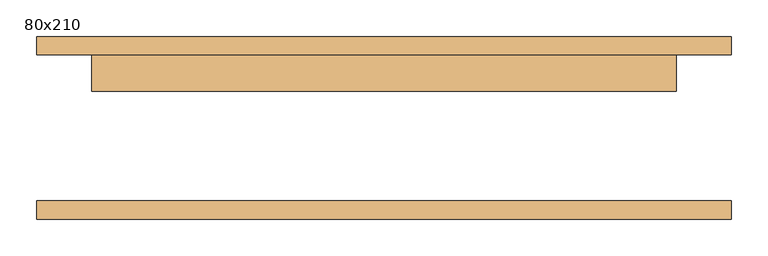
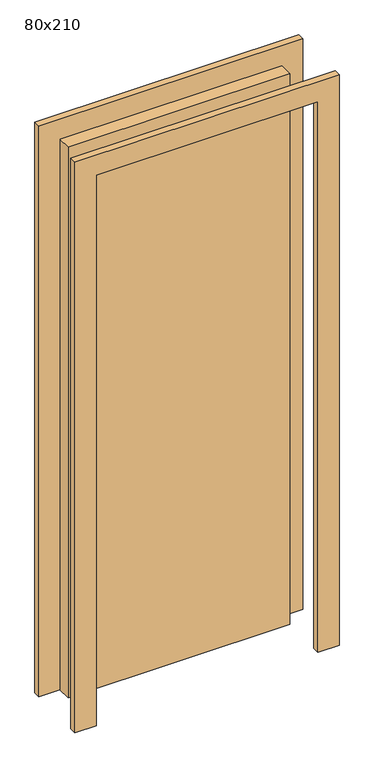
"""IFC4 building model written with IfcOpenShell, lengths in millimetres: door geometry, 80x210."""

from ifc_helpers import new_model, si_unit, frame, origin, origin_with_axes, place, context, project, spatial, polyline, outline, extrude, source, transform, mapped, element, save


def door_80x210_b024db19(model_context):
    return source(origin(), model_context, "Body", "SweptSolid", [
        extrude(outline(polyline([(2176.0, -476.0), (0.0, -476.0), (0.0, -400.0), (2100.0, -400.0), (2100.0, 400.0), (0.0, 400.0), (0.0, 476.0), (2176.0, 476.0), (2176.0, -476.0)])), frame((0.0, 100.0, 0.0), z_axis=(0.0, 1.0, 0.0), x_axis=(0.0, 0.0, 1.0)), (0.0, 0.0, 1.0), 25.0),
        extrude(outline(polyline([(2176.0, 476.0), (2176.0, -476.0), (0.0, -476.0), (0.0, -400.0), (2100.0, -400.0), (2100.0, 400.0), (0.0, 400.0), (0.0, 476.0), (2176.0, 476.0)])), frame((0.0, -125.0, 0.0), z_axis=(0.0, 1.0, 0.0), x_axis=(0.0, 0.0, 1.0)), (0.0, 0.0, 1.0), 25.0),
        extrude(outline(polyline([(400.0, 50.0), (-400.0, 50.0), (-400.0, 100.0), (400.0, 100.0), (400.0, 50.0)])), origin_with_axes(), (0.0, 0.0, 1.0), 2100.0),
    ])


if __name__ == "__main__":
    model = new_model("IFC4")
    model_context = context("Model", 3, world=origin())
    ifc_project = project(units=[si_unit("LENGTHUNIT", "METRE", prefix="MILLI")], contexts=[model_context])
    site = spatial("IfcSite", under=ifc_project)
    building = spatial("IfcBuilding", under=site)
    placement = place(None, origin())
    door_80x210_shape = door_80x210_b024db19(model_context)
    element("IfcDoor", 1, ObjectType="80x210", at=placement, inside=building, context=model_context, shape_type="MappedRepresentation", body=[
        mapped(door_80x210_shape, transform((0.0, 0.0, 0.0), x_axis=(1.0, 0.0, 0.0), y_axis=(0.0, 1.0, 0.0), z_axis=(0.0, 0.0, 1.0))),
    ])
    save(model, "model.ifc")
